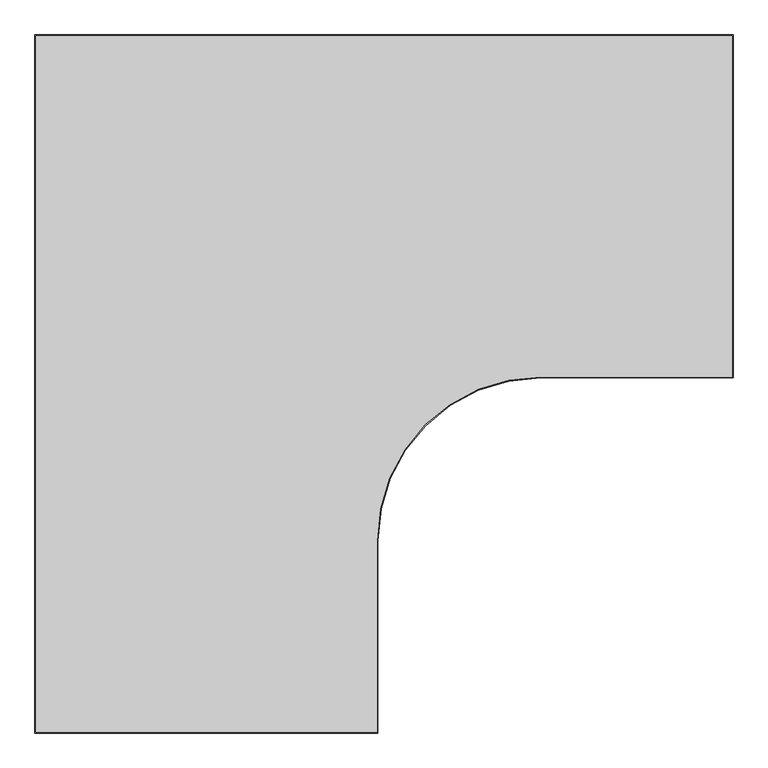
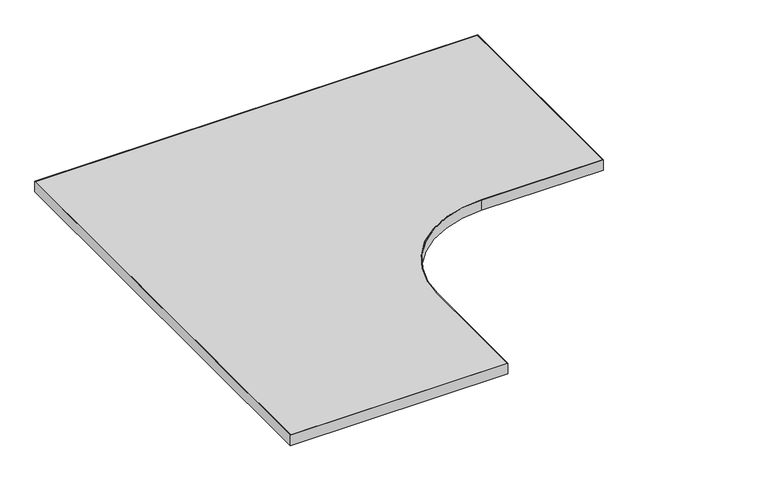
"""IFC4 building model written with IfcOpenShell, lengths in millimetres: furniture geometry."""

from ifc_helpers import new_model, si_unit, point, frame, frame_2d, origin, place, context, project, spatial, polyline, circle_curve, trimmed, segment, composite_curve, outline, extrude, source, transform, mapped, element, save


def furniture_e791a652(model_context):
    return source(origin(), model_context, "Body", "SweptSolid", [
        extrude(outline(composite_curve([segment(polyline([(428.6123, 782.6248), (428.6123, 200.025), (101.6, 200.025)]), True, "CONTINUOUS"), segment(trimmed(circle_curve(frame_2d((101.6, -79.375)), 279.4), [point((101.6, 200.025))], [point((-177.8, -79.375))], True, "CARTESIAN"), True, "CONTINUOUS"), segment(polyline([(-177.8, -79.375), (-177.8, -406.3873), (-760.3998, -406.3873), (-760.3998, 782.6248), (428.6123, 782.6248)]), True, "CONTINUOUS")], self_intersect=False)), frame((0.0, 0.0, 707.0328125), z_axis=(0.0, 0.0, 1.0), x_axis=(1.0, 0.0, 0.0)), (0.0, 0.0, 1.0), 29.5671875),
        extrude(outline(composite_curve([segment(polyline([(-176.2125, -407.9748), (-761.9873, -407.9748), (-761.9873, 784.2123), (430.1998, 784.2123), (430.1998, 198.4375), (101.6, 198.4375)]), True, "CONTINUOUS"), segment(trimmed(circle_curve(frame_2d((101.6, -79.375)), 277.8125), [point((101.6, 198.4375))], [point((-176.2125, -79.375))], True, "CARTESIAN"), True, "CONTINUOUS"), segment(polyline([(-176.2125, -79.375), (-176.2125, -407.9748)]), True, "CONTINUOUS")], self_intersect=False), holes=[composite_curve([segment(polyline([(428.6123, 782.6248), (-760.3998, 782.6248), (-760.3998, -406.3873), (-177.8, -406.3873), (-177.8, -79.375)]), True, "CONTINUOUS"), segment(trimmed(circle_curve(frame_2d((101.6, -79.375)), 279.4), [point((-177.8, -79.375))], [point((101.6, 200.025))], False, "CARTESIAN"), True, "CONTINUOUS"), segment(polyline([(101.6, 200.025), (428.6123, 200.025), (428.6123, 782.6248)]), True, "CONTINUOUS")], self_intersect=False)]), frame((0.0, 0.0, 707.009), z_axis=(0.0, 0.0, 1.0), x_axis=(1.0, 0.0, 0.0)), (0.0, 0.0, 1.0), 29.591),
    ])


if __name__ == "__main__":
    model = new_model("IFC4")
    model_context = context("Model", 3, world=origin())
    ifc_project = project(units=[si_unit("LENGTHUNIT", "METRE", prefix="MILLI")], contexts=[model_context])
    site = spatial("IfcSite", under=ifc_project)
    building = spatial("IfcBuilding", under=site)
    placement = place(None, origin())
    furniture_shape = furniture_e791a652(model_context)
    element("IfcFurniture", 1, at=placement, inside=building, context=model_context, shape_type="MappedRepresentation", body=[
        mapped(furniture_shape, transform((0.0, 0.0, 0.0), x_axis=(1.0, 0.0, 0.0), y_axis=(0.0, 1.0, 0.0), z_axis=(0.0, 0.0, 1.0))),
    ])
    save(model, "model.ifc")
